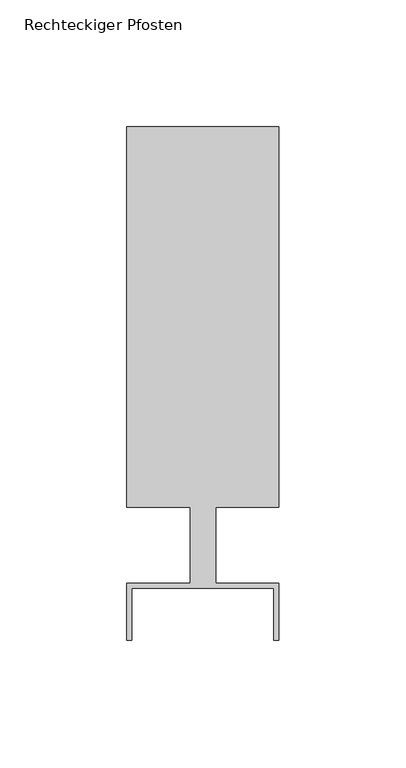
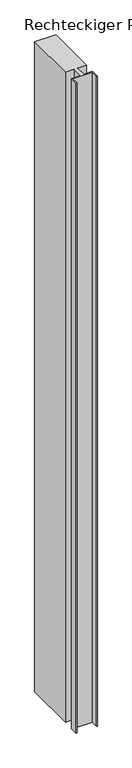
"""IFC4 building model written with IfcOpenShell, lengths in millimetres: member geometry, Rechteckiger Pfosten."""

from ifc_helpers import new_model, si_unit, frame, origin, place, context, project, spatial, polyline, outline, extrude, source, transform, mapped, element, save


def rechteckiger_pfosten_0f695d9a(model_context):
    return source(origin(), model_context, "Body", "SweptSolid", [
        extrude(outline(polyline([(28.0, -37.5), (28.0, -17.0), (-28.0, -17.0), (-28.0, -37.5), (-30.0, -37.5), (-30.0, -15.0), (-5.0, -15.0), (-5.0, 15.0), (-30.0, 15.0), (-30.0, 165.0), (30.0, 165.0), (30.0, 15.0), (5.0, 15.0), (5.0, -15.0), (30.0, -15.0), (30.0, -37.5), (28.0, -37.5)])), frame((0.0, 0.0, -1940.0), z_axis=(0.0, 0.0, 1.0), x_axis=(1.0, 0.0, 0.0)), (0.0, 0.0, 1.0), 1940.0),
    ])


if __name__ == "__main__":
    model = new_model("IFC4")
    model_context = context("Model", 3, world=origin())
    ifc_project = project(units=[si_unit("LENGTHUNIT", "METRE", prefix="MILLI")], contexts=[model_context])
    site = spatial("IfcSite", under=ifc_project)
    building = spatial("IfcBuilding", under=site)
    placement = place(None, origin())
    rechteckiger_pfosten_shape = rechteckiger_pfosten_0f695d9a(model_context)
    element("IfcMember", 1, ObjectType="Rechteckiger Pfosten", at=placement, inside=building, context=model_context, shape_type="MappedRepresentation", body=[
        mapped(rechteckiger_pfosten_shape, transform((0.0, 0.0, 0.0), x_axis=(1.0, 0.0, 0.0), y_axis=(0.0, 1.0, 0.0), z_axis=(0.0, 0.0, 1.0))),
    ])
    save(model, "model.ifc")
